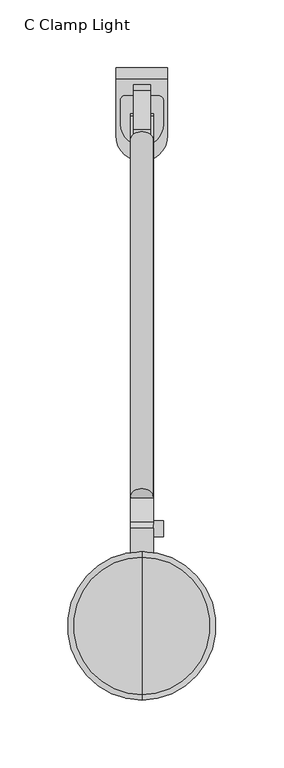
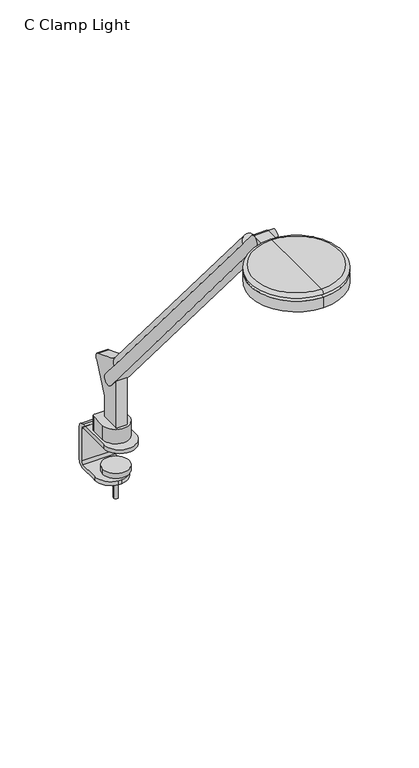
"""IFC4 building model written with IfcOpenShell, lengths in millimetres: furniture geometry, C Clamp Light."""

from ifc_helpers import new_model, si_unit, point, frame, frame_2d, origin, place, context, project, spatial, polyline, circle_curve, ellipse_curve, trimmed, segment, composite_curve, outline, extrude, source, transform, mapped, element, save
from ifc_brep_helpers import plane_surface, cylinder_surface, revolved_surface, advanced_brep


def c_clamp_light_697c5acd(model_context):
    return source(origin(), model_context, "Body", "SolidModel", [
        extrude(outline(composite_curve([segment(trimmed(circle_curve(frame_2d((12.4593755, -33.9783821)), 3.5680245), [point((12.4593755, -30.4103576))], [point((16.0274, -33.9783821))], False, "CARTESIAN"), True, "CONTINUOUS"), segment(polyline([(16.0274, -33.9783821), (16.0274, -51.2458521)]), True, "CONTINUOUS"), segment(trimmed(circle_curve(frame_2d((0.2032001, -51.2458521)), 15.8241999), [point((16.0274, -51.2458521))], [point((-15.6209999, -51.2458521))], False, "CARTESIAN"), True, "CONTINUOUS"), segment(polyline([(-15.6209999, -51.2458521), (-15.6209999, -33.2175963)]), True, "CONTINUOUS"), segment(trimmed(circle_curve(frame_2d((-12.8137611, -33.2175963)), 2.8072387), [point((-15.6209999, -33.2175963))], [point((-12.8137611, -30.4103576))], False, "CARTESIAN"), True, "CONTINUOUS"), segment(polyline([(-12.8137611, -30.4103576), (12.4593755, -30.4103576)]), True, "CONTINUOUS")], self_intersect=False)), frame((0.0, 0.0, 733.171), z_axis=(0.0, 0.0, 1.0), x_axis=(1.0, 0.0, 0.0)), (0.0, 0.0, 1.0), 17.78),
        extrude(outline(composite_curve([segment(polyline([(8.509, -161.2861314), (-8.509, -161.2861314)]), True, "CONTINUOUS"), segment(trimmed(circle_curve(frame_2d((0.0, -161.2861314)), 8.509), [point((-8.509, -161.2861314))], [point((8.509, -161.2861314))], False, "CARTESIAN"), True, "CONTINUOUS")], self_intersect=False)), frame((0.0, 59.9275977, 934.0367561), z_axis=(0.0, -0.6453157173859881, 0.7639159802586981), x_axis=(1.0, 0.0, 0.0)), (0.0, 0.0, 1.0), 407.9752226),
        extrude(outline(composite_curve([segment(polyline([(1165.3599936, -383.6426805), (1162.4056, -381.1636499), (1162.4056, -366.3659959), (1151.5508717, -366.3659959), (1151.5508717, -352.0202702), (1154.3820582, -354.4102311)]), True, "CONTINUOUS"), segment(trimmed(circle_curve(frame_2d((1158.6105852, -349.1496158)), 6.7494084), [point((1154.3820582, -354.4102311))], [point((1165.3599936, -349.1496158))], True, "CARTESIAN"), True, "CONTINUOUS"), segment(polyline([(1165.3599936, -349.1496158), (1165.3599936, -383.6426805)]), True, "CONTINUOUS")], self_intersect=False)), frame((8.509, 0.0, 0.0), z_axis=(-1.0, 0.0, 0.0), x_axis=(0.0, 0.0, 1.0)), (0.0, 0.0, 1.0), 17.018),
        extrude(outline(composite_curve([segment(trimmed(circle_curve(frame_2d((0.0, -51.7676781)), 2.5751001), [point((-2.5751001, -51.7676781))], [point((2.5751001, -51.7676781))], False, "CARTESIAN"), True, "CONTINUOUS"), segment(trimmed(circle_curve(frame_2d((0.0, -51.7676781)), 2.5751001), [point((2.5751001, -51.7676781))], [point((-2.5751001, -51.7676781))], False, "CARTESIAN"), True, "CONTINUOUS")], self_intersect=False)), frame((0.0, 0.0, 655.8153), z_axis=(0.0, 0.0, 1.0), x_axis=(1.0, 0.0, 0.0)), (0.0, 0.0, 1.0), 34.4932),
        extrude(outline(composite_curve([segment(trimmed(circle_curve(frame_2d((-0.0907579, -51.9938105)), 15.4973912), [point((-15.5881491, -51.9938105))], [point((15.4066333, -51.9938105))], False, "CARTESIAN"), True, "CONTINUOUS"), segment(trimmed(circle_curve(frame_2d((-0.0907579, -51.9938105)), 15.4973912), [point((15.4066333, -51.9938105))], [point((-15.5881491, -51.9938105))], False, "CARTESIAN"), True, "CONTINUOUS")], self_intersect=False)), frame((0.0, 0.0, 690.3085), z_axis=(0.0, 0.0, 1.0), x_axis=(1.0, 0.0, 0.0)), (0.0, 0.0, 1.0), 6.35),
        extrude(outline(composite_curve([segment(trimmed(circle_curve(frame_2d((-349.5772033, 1158.8861373)), 5.8982953), [point((-343.678908, 1158.8861373))], [point((-355.4754986, 1158.8861373))], False, "CARTESIAN"), True, "CONTINUOUS"), segment(trimmed(circle_curve(frame_2d((-349.5772033, 1158.8861373)), 5.8982953), [point((-355.4754986, 1158.8861373))], [point((-343.678908, 1158.8861373))], False, "CARTESIAN"), True, "CONTINUOUS")], self_intersect=False)), frame((8.509, 0.0, 0.0), z_axis=(1.0, 0.0, 0.0), x_axis=(0.0, 1.0, 0.0)), (0.0, 0.0, 1.0), 7.5184),
        extrude(outline(composite_curve([segment(trimmed(circle_curve(frame_2d((-57.2760289, 827.3462287)), 6.4968459), [point((-63.6335559, 826.008))], [point((-54.9477675, 833.4115568))], False, "CARTESIAN"), True, "CONTINUOUS"), segment(polyline([(-54.9477675, 833.4115568), (-26.3337634, 822.4276697)]), True, "CONTINUOUS"), segment(trimmed(circle_curve(frame_2d((-28.6602337, 816.3670075)), 6.491848), [point((-26.3337634, 822.4276697))], [point((-24.0322898, 811.8144009))], False, "CARTESIAN"), True, "CONTINUOUS"), segment(polyline([(-24.0322898, 811.8144009), (-39.5289559, 777.008319), (-39.5289559, 750.951), (-63.6335559, 750.951), (-63.6335559, 826.008)]), True, "CONTINUOUS")], self_intersect=False)), frame((-6.223, 0.0, 0.0), z_axis=(1.0, 0.0, 0.0), x_axis=(0.0, 1.0, 0.0)), (0.0, 0.0, 1.0), 12.446),
        advanced_brep(
        [(19.05, -17.732748, 728.3748908), (19.05, -14.5793302, 725.2214729), (19.05, -14.5793302, 685.3478317), (19.05, -17.4799619, 682.4472), (19.05, -39.0547461, 682.4472), (19.05, -41.6530854, 682.4472), (19.05, -41.6530854, 677.6974), (19.05, -39.0547461, 677.6974), (19.05, -17.9407775, 677.6974), (19.05, -9.8295302, 685.8086473), (19.05, -9.8295302, 725.0696764), (19.05, -17.9308539, 733.171), (19.05, -59.6571684, 733.171), (19.05, -59.6571684, 728.3748908), (-19.05, -17.9308539, 733.171), (-19.05, -9.8295302, 725.0696764), (-19.05, -9.8295302, 685.8086473), (-19.05, -17.9407775, 677.6974), (-19.05, -39.0547461, 677.6974), (-19.05, -41.6530854, 677.6974), (-19.05, -41.6530854, 682.4472), (-19.05, -39.0547461, 682.4472), (-19.05, -17.4799619, 682.4472), (-19.05, -14.5793302, 685.3478317), (-19.05, -14.5793302, 725.2214729), (-19.05, -17.732748, 728.3748908), (-19.05, -59.6571684, 728.3748908), (-19.05, -59.6571684, 733.171), (-1.672436, -60.6295302, 682.4472), (1.672436, -60.6295302, 682.4472), (-1.672436, -60.6295302, 677.6974), (1.672436, -60.6295302, 677.6974)],
        [
            (0, 1, circle_curve(frame((19.05, -17.732748, 725.2214729), z_axis=(-1.0, 0.0, 0.0), x_axis=(0.0, -1.0, 0.0)), 3.1534178)),
            (1, 2),
            (2, 3, circle_curve(frame((19.05, -17.4799619, 685.3478317), z_axis=(-1.0, 0.0, 0.0), x_axis=(0.0, -1.0, 0.0)), 2.9006317)),
            (3, 4),
            (4, 5),
            (5, 6),
            (6, 7),
            (7, 8),
            (8, 9, circle_curve(frame((19.05, -17.9407775, 685.8086473), z_axis=(1.0, 0.0, 0.0), x_axis=(0.0, -1.0, 0.0)), 8.1112473)),
            (9, 10),
            (10, 11, circle_curve(frame((19.05, -17.9308539, 725.0696764), z_axis=(1.0, 0.0, 0.0), x_axis=(0.0, -1.0, 0.0)), 8.1013236)),
            (11, 12),
            (12, 13),
            (13, 0),
            (14, 15, circle_curve(frame((-19.05, -17.9308539, 725.0696764), z_axis=(-1.0, 0.0, 0.0), x_axis=(0.0, -1.0, 0.0)), 8.1013236)),
            (15, 16),
            (16, 17, circle_curve(frame((-19.05, -17.9407775, 685.8086473), z_axis=(-1.0, 0.0, 0.0), x_axis=(0.0, -1.0, 0.0)), 8.1112473)),
            (17, 18),
            (18, 19),
            (19, 20),
            (20, 21),
            (21, 22),
            (22, 23, circle_curve(frame((-19.05, -17.4799619, 685.3478317), z_axis=(1.0, 0.0, 0.0), x_axis=(0.0, -1.0, 0.0)), 2.9006317)),
            (23, 24),
            (24, 25, circle_curve(frame((-19.05, -17.732748, 725.2214729), z_axis=(1.0, 0.0, 0.0), x_axis=(0.0, -1.0, 0.0)), 3.1534178)),
            (25, 26),
            (26, 27),
            (27, 14),
            (25, 0),
            (13, 26, circle_curve(frame((0.0, -59.6571684, 728.3748908), z_axis=(0.0, 0.0, -1.0), x_axis=(1.0, 0.0, 0.0)), 19.05)),
            (24, 1),
            (23, 2),
            (22, 3),
            (20, 28, circle_curve(frame((0.0, -41.6530854, 682.4472), z_axis=(0.0, 0.0, 1.0), x_axis=(1.0, 0.0, 0.0)), 19.05)),
            (28, 29),
            (29, 5, circle_curve(frame((0.0, -41.6530854, 682.4472), z_axis=(0.0, 0.0, 1.0), x_axis=(1.0, 0.0, 0.0)), 19.05)),
            (28, 30),
            (30, 31),
            (31, 29),
            (17, 8),
            (6, 31, circle_curve(frame((0.0, -41.6530854, 677.6974), z_axis=(0.0, 0.0, -1.0), x_axis=(1.0, 0.0, 0.0)), 19.05)),
            (30, 19, circle_curve(frame((0.0, -41.6530854, 677.6974), z_axis=(0.0, 0.0, -1.0), x_axis=(1.0, 0.0, 0.0)), 19.05)),
            (16, 9),
            (15, 10),
            (14, 11),
            (27, 12, circle_curve(frame((0.0, -59.6571684, 733.171), z_axis=(0.0, 0.0, 1.0), x_axis=(1.0, 0.0, 0.0)), 19.05)),
        ],
        [
            plane_surface(frame((19.05, -78.7143302, 728.3748908), z_axis=(1.0, 0.0, 0.0), x_axis=(0.0, 1.0, 0.0))),
            plane_surface(frame((-19.05, -78.7143302, 728.3748908), z_axis=(-1.0, 0.0, 0.0), x_axis=(0.0, -1.0, 0.0))),
            plane_surface(frame((19.05, -78.7143302, 728.3748908), z_axis=(0.0, 0.0, -1.0), x_axis=(-1.0, 0.0, 0.0))),
            revolved_surface(polyline([(-19.05, -20.8861658, 725.2214729), (19.05, -20.8861658, 725.2214729)]), (-19.05, -17.732748, 725.2214729), (-1.0, 0.0, 0.0)),
            plane_surface(frame((19.05, -14.5793302, 725.2214729), z_axis=(0.0, -1.0, 0.0), x_axis=(-1.0, 0.0, 0.0))),
            revolved_surface(polyline([(-19.05, -20.380593599999997, 685.3478317), (19.05, -20.380593599999997, 685.3478317)]), (-19.05, -17.4799619, 685.3478317), (-1.0, 0.0, 0.0)),
            plane_surface(frame((19.05, -17.4799619, 682.4472), z_axis=(0.0, 0.0, 1.0), x_axis=(-1.0, 0.0, 0.0))),
            plane_surface(frame((19.05, -60.6295302, 682.4472), z_axis=(0.0, -1.0, 0.0), x_axis=(-1.0, 0.0, 0.0))),
            plane_surface(frame((19.05, -60.6295302, 677.6974), z_axis=(0.0, 0.0, -1.0), x_axis=(-1.0, 0.0, 0.0))),
            cylinder_surface(frame((-19.05, -17.9407775, 685.8086473), z_axis=(1.0, 0.0, 0.0), x_axis=(0.0, -1.0, 0.0)), 8.1112473),
            plane_surface(frame((19.05, -9.8295302, 685.8086473), z_axis=(0.0, 1.0, 0.0), x_axis=(-1.0, 0.0, 0.0))),
            cylinder_surface(frame((-19.05, -17.9308539, 725.0696764), z_axis=(1.0, 0.0, 0.0), x_axis=(0.0, -1.0, 0.0)), 8.1013236),
            plane_surface(frame((19.05, -17.9308539, 733.171), z_axis=(0.0, 0.0, 1.0), x_axis=(-1.0, 0.0, 0.0))),
            cylinder_surface(frame((0.0, -59.6571684, 763.2396128), z_axis=(0.0, 0.0, 1.0), x_axis=(1.0, 0.0, 0.0)), 19.05),
            cylinder_surface(frame((0.0, -41.6530854, 673.1762), z_axis=(0.0, 0.0, -1.0), x_axis=(1.0, 0.0, 0.0)), 19.05),
        ],
        [
            (0, [[1, 2, 3, 4, 5, 6, 7, 8, 9, 10, 11, 12, 13, 14]]),
            (1, [[15, 16, 17, 18, 19, 20, 21, 22, 23, 24, 25, 26, 27, 28]]),
            (2, [[29, -14, 30, -26]]),
            (3, [[-1, -29, -25, 31]]),
            (4, [[-2, -31, -24, 32]]),
            (5, [[-3, -32, -23, 33]]),
            (6, [[-33, -22, -21, 34, 35, 36, -5, -4]]),
            (7, [[-35, 37, 38, 39]]),
            (8, [[40, -8, -7, 41, -38, 42, -19, -18]]),
            (9, [[-9, -40, -17, 43]]),
            (10, [[-10, -43, -16, 44]]),
            (11, [[-11, -44, -15, 45]]),
            (12, [[-45, -28, 46, -12]]),
            (13, [[-13, -46, -27, -30]]),
            (14, [[-6, -36, -39, -41]]),
            (14, [[-20, -42, -37, -34]]),
        ],
    ),
        advanced_brep(
        [(0.0, -366.3659959, 1166.2156), (0.0, -475.8399959, 1166.2156), (0.0, -471.7839412, 1170.0256), (0.0, -370.4220506, 1170.0256), (0.0, -384.354515, 1166.2156), (0.0, -457.8514768, 1166.2156), (0.0, -381.6867242, 1162.4056), (0.0, -460.5192676, 1162.4056), (0.0, -366.3659959, 1162.4056), (0.0, -475.8399959, 1162.4056), (0.0, -366.3659959, 1149.0706), (0.0, -475.8399959, 1149.0706), (0.0, -421.1029959, 1149.0706), (0.0, -421.1029959, 1170.0256)],
        [
            (0, 1, circle_curve(frame((0.0, -421.1029959, 1166.2156), z_axis=(0.0, 0.0, 1.0), x_axis=(0.0, -1.0, 0.0)), 54.737)),
            (1, 2, circle_curve(frame((0.0, -471.7839412, 1165.9616), z_axis=(-1.0, 0.0, 0.0), x_axis=(0.0, -1.0, 0.0)), 4.064)),
            (2, 3, circle_curve(frame((0.0, -421.1029959, 1170.0256), z_axis=(0.0, 0.0, -1.0), x_axis=(0.0, -1.0, 0.0)), 50.6809453)),
            (3, 0, circle_curve(frame((0.0, -370.4220506, 1165.9616), z_axis=(-1.0, 0.0, 0.0), x_axis=(0.0, 1.0, 0.0)), 4.064)),
            (1, 0, circle_curve(frame((0.0, -421.1029959, 1166.2156), z_axis=(0.0, 0.0, 1.0), x_axis=(0.0, -1.0, 0.0)), 54.737)),
            (3, 2, circle_curve(frame((0.0, -421.1029959, 1170.0256), z_axis=(0.0, 0.0, -1.0), x_axis=(0.0, -1.0, 0.0)), 50.6809453)),
            (4, 5, circle_curve(frame((0.0, -421.1029959, 1166.2156), z_axis=(0.0, 0.0, 1.0), x_axis=(0.0, -1.0, 0.0)), 36.7484809)),
            (5, 1),
            (0, 4),
            (5, 4, circle_curve(frame((0.0, -421.1029959, 1166.2156), z_axis=(0.0, 0.0, 1.0), x_axis=(0.0, -1.0, 0.0)), 36.7484809)),
            (6, 7, circle_curve(frame((0.0, -421.1029959, 1162.4056), z_axis=(0.0, 0.0, 1.0), x_axis=(0.0, -1.0, 0.0)), 39.4162717)),
            (7, 5),
            (4, 6),
            (7, 6, circle_curve(frame((0.0, -421.1029959, 1162.4056), z_axis=(0.0, 0.0, 1.0), x_axis=(0.0, -1.0, 0.0)), 39.4162717)),
            (8, 9, circle_curve(frame((0.0, -421.1029959, 1162.4056), z_axis=(0.0, 0.0, 1.0), x_axis=(0.0, -1.0, 0.0)), 54.737)),
            (9, 7),
            (6, 8),
            (9, 8, circle_curve(frame((0.0, -421.1029959, 1162.4056), z_axis=(0.0, 0.0, 1.0), x_axis=(0.0, -1.0, 0.0)), 54.737)),
            (10, 11, circle_curve(frame((0.0, -421.1029959, 1149.0706), z_axis=(0.0, 0.0, 1.0), x_axis=(0.0, -1.0, 0.0)), 54.737)),
            (11, 9),
            (8, 10),
            (11, 10, circle_curve(frame((0.0, -421.1029959, 1149.0706), z_axis=(0.0, 0.0, 1.0), x_axis=(0.0, -1.0, 0.0)), 54.737)),
            (12, 11),
            (10, 12),
            (2, 13),
            (13, 3),
        ],
        [
            revolved_surface(trimmed(ellipse_curve(frame((0.0, -471.7839412, 1165.9616), z_axis=(1.0, 0.0, 0.0), x_axis=(0.0, -1.0, 0.0)), 4.064, 4.064), [point((0.0, -471.7839412, 1170.0256))], [point((0.0, -475.8399959, 1166.2156))], True, "CARTESIAN"), (0.0, -421.1029959, 1170.0256), (0.0, 0.0, -1.0)),
            plane_surface(frame((0.0, -421.1029959, 1166.2156), z_axis=(0.0, 0.0, -1.0), x_axis=(0.0, -1.0, 0.0))),
            revolved_surface(polyline([(0.0, -457.8514768, 1166.2156), (0.0, -460.5192676, 1162.4056)]), (0.0, -421.1029959, 1170.0256), (0.0, 0.0, -1.0)),
            plane_surface(frame((0.0, -421.1029959, 1162.4056), z_axis=(0.0, 0.0, 1.0), x_axis=(0.0, -1.0, 0.0))),
            cylinder_surface(frame((0.0, -421.1029959, 1170.0256), z_axis=(0.0, 0.0, -1.0), x_axis=(0.0, -1.0, 0.0)), 54.737),
            plane_surface(frame((0.0, -421.1029959, 1149.0706), z_axis=(0.0, 0.0, -1.0), x_axis=(0.0, -1.0, 0.0))),
            plane_surface(frame((0.0, -421.1029959, 1170.0256), z_axis=(0.0, 0.0, 1.0), x_axis=(0.0, -1.0, 0.0))),
        ],
        [
            (0, [[1, 2, 3, 4]]),
            (0, [[5, -4, 6, -2]]),
            (1, [[7, 8, -1, 9]]),
            (1, [[10, -9, -5, -8]]),
            (2, [[11, 12, -7, 13]]),
            (2, [[14, -13, -10, -12]]),
            (3, [[15, 16, -11, 17]]),
            (3, [[18, -17, -14, -16]]),
            (4, [[19, 20, -15, 21]]),
            (4, [[22, -21, -18, -20]]),
            (5, [[23, -19, 24]]),
            (5, [[-24, -22, -23]]),
            (6, [[-3, 25, 26]]),
            (6, [[-6, -26, -25]]),
        ],
    ),
        extrude(outline(composite_curve([segment(trimmed(circle_curve(frame_2d((-50.3508694, 804.4209036)), 6.6004988), [point((-45.3086429, 808.6803092))], [point((-55.394567, 800.16324))], False, "CARTESIAN"), True, "CONTINUOUS"), segment(polyline([(-55.394567, 800.16324), (-354.4102311, 1154.3820582)]), True, "CONTINUOUS"), segment(trimmed(circle_curve(frame_2d((-349.4277131, 1158.5880769)), 6.5204355), [point((-354.4102311, 1154.3820582))], [point((-344.4466482, 1162.7958164))], False, "CARTESIAN"), True, "CONTINUOUS"), segment(polyline([(-344.4466482, 1162.7958164), (-45.3086429, 808.6803092)]), True, "CONTINUOUS")], self_intersect=False)), frame((-8.509, 0.0, 0.0), z_axis=(1.0, 0.0, 0.0), x_axis=(0.0, 1.0, 0.0)), (0.0, 0.0, 1.0), 17.018),
    ])


if __name__ == "__main__":
    model = new_model("IFC4")
    model_context = context("Model", 3, world=origin())
    ifc_project = project(units=[si_unit("LENGTHUNIT", "METRE", prefix="MILLI")], contexts=[model_context])
    site = spatial("IfcSite", under=ifc_project)
    building = spatial("IfcBuilding", under=site)
    placement = place(None, origin())
    c_clamp_light_shape = c_clamp_light_697c5acd(model_context)
    element("IfcFurniture", 1, ObjectType="C Clamp Light", at=placement, inside=building, context=model_context, shape_type="MappedRepresentation", body=[
        mapped(c_clamp_light_shape, transform((0.0, 0.0, 0.0), x_axis=(1.0, 0.0, 0.0), y_axis=(0.0, 1.0, 0.0), z_axis=(0.0, 0.0, 1.0))),
    ])
    save(model, "model.ifc")
